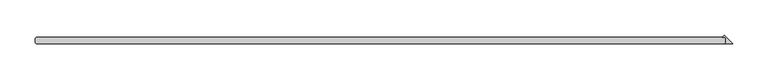
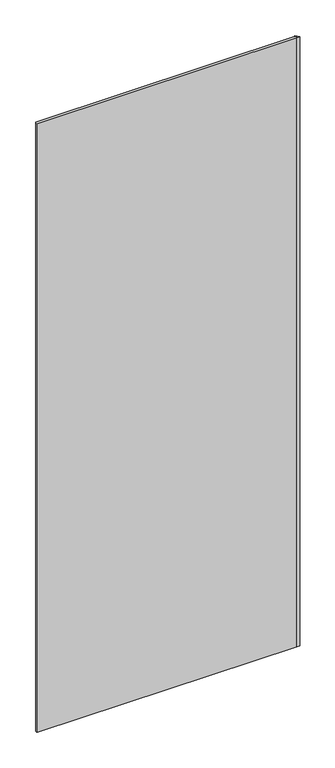
"""IFC4 building model written with IfcOpenShell, lengths in millimetres: plate geometry."""

from ifc_helpers import new_model, si_unit, origin, origin_with_axes, place, context, project, spatial, polyline, outline, extrude, source, transform, mapped, element, save


def plate_6c1a6ac6(model_context):
    return source(origin(), model_context, "Body", "SweptSolid", [
        extrude(outline(polyline([(501.253125, -33.3375), (501.253125, -26.9875), (499.665625, -25.4), (495.833061, -25.4), (498.543093, -22.689968), (510.778125, -34.925), (499.665625, -34.925), (501.253125, -33.3375)])), origin_with_axes(), (0.0, 0.0, 1.0), 2417.075),
        extrude(outline(polyline([(499.665625, -34.925), (-474.265625, -34.925), (-475.853125, -33.3375), (-475.853125, -26.9875), (-474.265625, -25.4), (499.665625, -25.4), (501.253125, -26.9875), (501.253125, -33.3375), (499.665625, -34.925)])), origin_with_axes(), (0.0, 0.0, 1.0), 2417.075),
    ])


if __name__ == "__main__":
    model = new_model("IFC4")
    model_context = context("Model", 3, world=origin())
    ifc_project = project(units=[si_unit("LENGTHUNIT", "METRE", prefix="MILLI")], contexts=[model_context])
    site = spatial("IfcSite", under=ifc_project)
    building = spatial("IfcBuilding", under=site)
    placement = place(None, origin())
    plate_shape = plate_6c1a6ac6(model_context)
    element("IfcPlate", 1, at=placement, inside=building, context=model_context, shape_type="MappedRepresentation", body=[
        mapped(plate_shape, transform((0.0, 0.0, 0.0), x_axis=(1.0, 0.0, 0.0), y_axis=(0.0, 1.0, 0.0), z_axis=(0.0, 0.0, 1.0))),
    ])
    save(model, "model.ifc")
